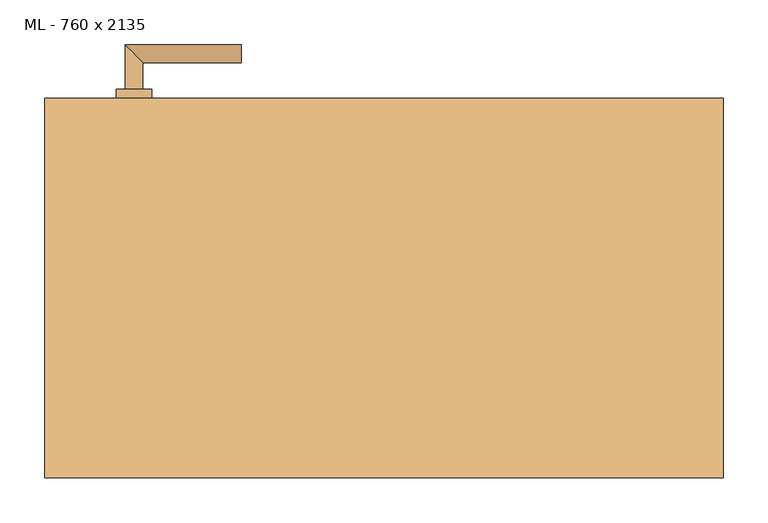
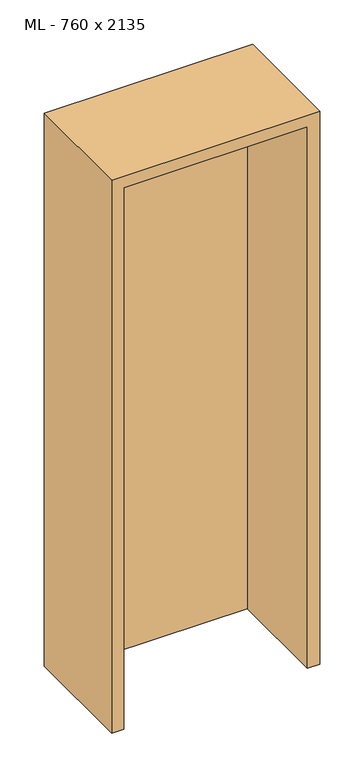
"""IFC4 building model written with IfcOpenShell, lengths in millimetres: door geometry, ML - 760 x 2135."""

from ifc_helpers import new_model, si_unit, point, frame, frame_2d, origin, origin_with_axes, place, context, project, spatial, polyline, circle_curve, ellipse_curve, trimmed, segment, composite_curve, outline, extrude, faceted_brep, source, transform, mapped, element, save
from ifc_brep_helpers import plane_surface, cylinder_surface, advanced_brep


def ml_760_x_2135_68dea230(model_context):
    return source(origin(), model_context, "Body", "SolidModel", [
        extrude(outline(polyline([(346.0, 212.5), (346.0, 167.5), (-346.0, 167.5), (-346.0, 212.5), (346.0, 212.5)])), origin_with_axes(), (0.0, 0.0, 1.0), 2101.0),
        advanced_brep(
        [(-270.0, 222.5, 1050.0), (-290.0, 222.5, 1050.0), (-270.0, 252.5, 1050.0), (-290.0, 272.5, 1050.0), (-160.0, 252.5, 1050.0), (-160.0, 272.5, 1050.0)],
        [
            (0, 1, circle_curve(frame((-280.0, 222.5, 1050.0), z_axis=(0.0, -1.0, 0.0), x_axis=(-1.0, 0.0, 0.0)), 10.0)),
            (1, 0, circle_curve(frame((-280.0, 222.5, 1050.0), z_axis=(0.0, -1.0, 0.0), x_axis=(-1.0, 0.0, 0.0)), 10.0)),
            (0, 2),
            (2, 3, ellipse_curve(frame((-280.0, 262.5, 1050.0), z_axis=(-0.7071067811865531, -0.7071067811865419, 0.0), x_axis=(0.707106781186542, -0.707106781186553, 0.0)), 14.1421356, 10.0)),
            (3, 1),
            (3, 2, ellipse_curve(frame((-280.0, 262.5, 1050.0), z_axis=(-0.7071067811865531, -0.7071067811865419, 0.0), x_axis=(0.707106781186542, -0.707106781186553, 0.0)), 14.1421356, 10.0)),
            (4, 5, circle_curve(frame((-160.0, 262.5, 1050.0), z_axis=(1.0, 0.0, 0.0), x_axis=(0.0, 1.0, 0.0)), 10.0)),
            (5, 4, circle_curve(frame((-160.0, 262.5, 1050.0), z_axis=(1.0, 0.0, 0.0), x_axis=(0.0, 1.0, 0.0)), 10.0)),
            (2, 4),
            (5, 3),
        ],
        [
            plane_surface(frame((-280.0, 222.5, 1050.0), z_axis=(0.0, -1.0, 0.0), x_axis=(0.0, 0.0, 1.0))),
            cylinder_surface(frame((-280.0, 222.5, 1050.0), z_axis=(0.0, -1.0, 0.0), x_axis=(-1.0, 0.0, 0.0)), 10.0),
            plane_surface(frame((-160.0, 262.5, 1050.0), z_axis=(1.0, 0.0, 0.0), x_axis=(0.0, 0.0, 1.0))),
            cylinder_surface(frame((-280.0, 262.5, 1050.0), z_axis=(-1.0, 0.0, 0.0), x_axis=(0.0, 1.0, 0.0)), 10.0),
        ],
        [
            (0, [[1, 2]]),
            (1, [[-1, 3, 4, 5]]),
            (1, [[-2, -5, 6, -3]]),
            (2, [[7, 8]]),
            (3, [[-4, 9, -8, 10]]),
            (3, [[-6, -10, -7, -9]]),
        ],
    ),
        extrude(outline(composite_curve([segment(trimmed(circle_curve(frame_2d((990.0, -280.0)), 20.0), [point((990.0, -300.0))], [point((990.0, -260.0))], False, "CARTESIAN"), True, "CONTINUOUS"), segment(trimmed(circle_curve(frame_2d((990.0, -280.0)), 20.0), [point((990.0, -260.0))], [point((990.0, -300.0))], False, "CARTESIAN"), True, "CONTINUOUS")], self_intersect=False), holes=[composite_curve([segment(polyline([(976.4601385, -282.397268), (988.4749012, -282.397268)]), True, "CONTINUOUS"), segment(trimmed(circle_curve(frame_2d((995.0361633, -280.0)), 6.9854888), [point((988.4749012, -282.397268))], [point((988.4749012, -277.602732))], True, "CARTESIAN"), True, "CONTINUOUS"), segment(polyline([(988.4749012, -277.602732), (976.4601385, -277.602732)]), True, "CONTINUOUS"), segment(trimmed(circle_curve(frame_2d((976.4601385, -280.0)), 2.397268), [point((976.4601385, -277.602732))], [point((976.4601385, -282.397268))], True, "CARTESIAN"), True, "CONTINUOUS")], self_intersect=False)]), frame((0.0, 212.5, 0.0), z_axis=(0.0, 1.0, 0.0), x_axis=(0.0, 0.0, 1.0)), (0.0, 0.0, 1.0), 10.0),
        advanced_brep(
        [(-270.0, 222.5, 1050.0), (-290.0, 222.5, 1050.0), (-270.0, 252.5, 1050.0), (-290.0, 272.5, 1050.0), (-160.0, 252.5, 1050.0), (-160.0, 272.5, 1050.0)],
        [
            (0, 1, circle_curve(frame((-280.0, 222.5, 1050.0), z_axis=(0.0, -1.0, 0.0), x_axis=(-1.0, 0.0, 0.0)), 10.0)),
            (1, 0, circle_curve(frame((-280.0, 222.5, 1050.0), z_axis=(0.0, -1.0, 0.0), x_axis=(-1.0, 0.0, 0.0)), 10.0)),
            (0, 2),
            (2, 3, ellipse_curve(frame((-280.0, 262.5, 1050.0), z_axis=(-0.7071067811865537, -0.7071067811865414, 0.0), x_axis=(0.7071067811865414, -0.7071067811865536, 0.0)), 14.1421356, 10.0)),
            (3, 1),
            (3, 2, ellipse_curve(frame((-280.0, 262.5, 1050.0), z_axis=(-0.7071067811865537, -0.7071067811865414, 0.0), x_axis=(0.7071067811865414, -0.7071067811865536, 0.0)), 14.1421356, 10.0)),
            (4, 5, circle_curve(frame((-160.0, 262.5, 1050.0), z_axis=(1.0, 0.0, 0.0), x_axis=(0.0, 1.0, 0.0)), 10.0)),
            (5, 4, circle_curve(frame((-160.0, 262.5, 1050.0), z_axis=(1.0, 0.0, 0.0), x_axis=(0.0, 1.0, 0.0)), 10.0)),
            (2, 4),
            (5, 3),
        ],
        [
            plane_surface(frame((-280.0, 222.5, 1050.0), z_axis=(0.0, -1.0, 0.0), x_axis=(0.0, 0.0, 1.0))),
            cylinder_surface(frame((-280.0, 222.5, 1050.0), z_axis=(0.0, -1.0, 0.0), x_axis=(-1.0, 0.0, 0.0)), 10.0),
            plane_surface(frame((-160.0, 262.5, 1050.0), z_axis=(1.0, 0.0, 0.0), x_axis=(0.0, 0.0, 1.0))),
            cylinder_surface(frame((-280.0, 262.5, 1050.0), z_axis=(-1.0, 0.0, 0.0), x_axis=(0.0, 1.0, 0.0)), 10.0),
        ],
        [
            (0, [[1, 2]]),
            (1, [[-1, 3, 4, 5]]),
            (1, [[-2, -5, 6, -3]]),
            (2, [[7, 8]]),
            (3, [[-4, 9, -8, 10]]),
            (3, [[-6, -10, -7, -9]]),
        ],
    ),
        extrude(outline(composite_curve([segment(trimmed(circle_curve(frame_2d((1050.0, -280.0)), 20.0), [point((1050.0, -300.0))], [point((1050.0, -260.0))], False, "CARTESIAN"), True, "CONTINUOUS"), segment(trimmed(circle_curve(frame_2d((1050.0, -280.0)), 20.0), [point((1050.0, -260.0))], [point((1050.0, -300.0))], False, "CARTESIAN"), True, "CONTINUOUS")], self_intersect=False)), frame((0.0, 212.5, 0.0), z_axis=(0.0, 1.0, 0.0), x_axis=(0.0, 0.0, 1.0)), (0.0, 0.0, 1.0), 10.0),
        advanced_brep(
        [(-270.0, 157.5, 1050.0), (-290.0, 157.5, 1050.0), (-290.0, 107.5, 1050.0), (-270.0, 127.5, 1050.0), (-160.0, 127.5, 1050.0), (-160.0, 107.5, 1050.0)],
        [
            (0, 1, circle_curve(frame((-280.0, 157.5, 1050.0), z_axis=(0.0, 1.0, 0.0), x_axis=(-1.0, 0.0, 0.0)), 10.0)),
            (1, 0, circle_curve(frame((-280.0, 157.5, 1050.0), z_axis=(0.0, 1.0, 0.0), x_axis=(-1.0, 0.0, 0.0)), 10.0)),
            (1, 2),
            (2, 3, ellipse_curve(frame((-280.0, 117.5, 1050.0), z_axis=(-0.7071067811865486, 0.7071067811865464, 0.0), x_axis=(0.7071067811865464, 0.7071067811865488, 0.0)), 14.1421356, 10.0)),
            (3, 0),
            (3, 2, ellipse_curve(frame((-280.0, 117.5, 1050.0), z_axis=(-0.7071067811865486, 0.7071067811865464, 0.0), x_axis=(0.7071067811865464, 0.7071067811865488, 0.0)), 14.1421356, 10.0)),
            (4, 5, circle_curve(frame((-160.0, 117.5, 1050.0), z_axis=(1.0, 0.0, 0.0), x_axis=(0.0, -1.0, 0.0)), 10.0)),
            (5, 4, circle_curve(frame((-160.0, 117.5, 1050.0), z_axis=(1.0, 0.0, 0.0), x_axis=(0.0, -1.0, 0.0)), 10.0)),
            (2, 5),
            (4, 3),
        ],
        [
            plane_surface(frame((-280.0, 157.5, 1050.0), z_axis=(0.0, 1.0, 0.0), x_axis=(0.0, 0.0, 1.0))),
            cylinder_surface(frame((-280.0, 157.5, 1050.0), z_axis=(0.0, 1.0, 0.0), x_axis=(-1.0, 0.0, 0.0)), 10.0),
            plane_surface(frame((-160.0, 117.5, 1050.0), z_axis=(1.0, 0.0, 0.0), x_axis=(0.0, 0.0, 1.0))),
            cylinder_surface(frame((-280.0, 117.5, 1050.0), z_axis=(-1.0, 0.0, 0.0), x_axis=(0.0, -1.0, 0.0)), 10.0),
        ],
        [
            (0, [[1, 2]]),
            (1, [[3, 4, 5, -2]]),
            (1, [[-5, 6, -3, -1]]),
            (2, [[7, 8]]),
            (3, [[9, -7, 10, -4]]),
            (3, [[-10, -8, -9, -6]]),
        ],
    ),
        extrude(outline(composite_curve([segment(trimmed(circle_curve(frame_2d((990.0, -280.0)), 20.0), [point((990.0, -300.0))], [point((990.0, -260.0))], False, "CARTESIAN"), True, "CONTINUOUS"), segment(trimmed(circle_curve(frame_2d((990.0, -280.0)), 20.0), [point((990.0, -260.0))], [point((990.0, -300.0))], False, "CARTESIAN"), True, "CONTINUOUS")], self_intersect=False), holes=[composite_curve([segment(polyline([(976.4601385, -282.397268), (988.4749012, -282.397268)]), True, "CONTINUOUS"), segment(trimmed(circle_curve(frame_2d((995.0361633, -280.0)), 6.9854888), [point((988.4749012, -282.397268))], [point((988.4749012, -277.602732))], True, "CARTESIAN"), True, "CONTINUOUS"), segment(polyline([(988.4749012, -277.602732), (976.4601385, -277.602732)]), True, "CONTINUOUS"), segment(trimmed(circle_curve(frame_2d((976.4601385, -280.0)), 2.397268), [point((976.4601385, -277.602732))], [point((976.4601385, -282.397268))], True, "CARTESIAN"), True, "CONTINUOUS")], self_intersect=False)]), frame((0.0, 157.5, 0.0), z_axis=(0.0, 1.0, 0.0), x_axis=(0.0, 0.0, 1.0)), (0.0, 0.0, 1.0), 10.0),
        advanced_brep(
        [(-270.0, 157.5, 1050.0), (-290.0, 157.5, 1050.0), (-290.0, 107.5, 1050.0), (-270.0, 127.5, 1050.0), (-160.0, 127.5, 1050.0), (-160.0, 107.5, 1050.0)],
        [
            (0, 1, circle_curve(frame((-280.0, 157.5, 1050.0), z_axis=(0.0, 1.0, 0.0), x_axis=(-1.0, 0.0, 0.0)), 10.0)),
            (1, 0, circle_curve(frame((-280.0, 157.5, 1050.0), z_axis=(0.0, 1.0, 0.0), x_axis=(-1.0, 0.0, 0.0)), 10.0)),
            (1, 2),
            (2, 3, ellipse_curve(frame((-280.0, 117.5, 1050.0), z_axis=(-0.7071067811865491, 0.7071067811865459, 0.0), x_axis=(0.7071067811865458, 0.7071067811865492, 0.0)), 14.1421356, 10.0)),
            (3, 0),
            (3, 2, ellipse_curve(frame((-280.0, 117.5, 1050.0), z_axis=(-0.7071067811865491, 0.7071067811865459, 0.0), x_axis=(0.7071067811865458, 0.7071067811865492, 0.0)), 14.1421356, 10.0)),
            (4, 5, circle_curve(frame((-160.0, 117.5, 1050.0), z_axis=(1.0, 0.0, 0.0), x_axis=(0.0, -1.0, 0.0)), 10.0)),
            (5, 4, circle_curve(frame((-160.0, 117.5, 1050.0), z_axis=(1.0, 0.0, 0.0), x_axis=(0.0, -1.0, 0.0)), 10.0)),
            (2, 5),
            (4, 3),
        ],
        [
            plane_surface(frame((-280.0, 157.5, 1050.0), z_axis=(0.0, 1.0, 0.0), x_axis=(0.0, 0.0, 1.0))),
            cylinder_surface(frame((-280.0, 157.5, 1050.0), z_axis=(0.0, 1.0, 0.0), x_axis=(-1.0, 0.0, 0.0)), 10.0),
            plane_surface(frame((-160.0, 117.5, 1050.0), z_axis=(1.0, 0.0, 0.0), x_axis=(0.0, 0.0, 1.0))),
            cylinder_surface(frame((-280.0, 117.5, 1050.0), z_axis=(-1.0, 0.0, 0.0), x_axis=(0.0, -1.0, 0.0)), 10.0),
        ],
        [
            (0, [[1, 2]]),
            (1, [[3, 4, 5, -2]]),
            (1, [[-5, 6, -3, -1]]),
            (2, [[7, 8]]),
            (3, [[9, -7, 10, -4]]),
            (3, [[-10, -8, -9, -6]]),
        ],
    ),
        extrude(outline(composite_curve([segment(trimmed(circle_curve(frame_2d((1050.0, -280.0)), 20.0), [point((1050.0, -300.0))], [point((1050.0, -260.0))], False, "CARTESIAN"), True, "CONTINUOUS"), segment(trimmed(circle_curve(frame_2d((1050.0, -280.0)), 20.0), [point((1050.0, -260.0))], [point((1050.0, -300.0))], False, "CARTESIAN"), True, "CONTINUOUS")], self_intersect=False)), frame((0.0, 157.5, 0.0), z_axis=(0.0, 1.0, 0.0), x_axis=(0.0, 0.0, 1.0)), (0.0, 0.0, 1.0), 10.0),
        faceted_brep([(-350.0, 212.5, 0.0), (-350.0, 167.5, 0.0), (-335.0, 167.5, 0.0), (-335.0, -212.5, 0.0), (-380.0, -212.5, 0.0), (-380.0, 212.5, 0.0), (-350.0, 212.5, 2105.0), (-350.0, 167.5, 2105.0), (350.0, 167.5, 2105.0), (350.0, 167.5, 0.0), (335.0, 167.5, 0.0), (335.0, 167.5, 2090.0), (-335.0, 167.5, 2090.0), (-335.0, -212.5, 2090.0), (335.0, -212.5, 2090.0), (335.0, -212.5, 0.0), (380.0, -212.5, 0.0), (380.0, -212.5, 2135.0), (-380.0, -212.5, 2135.0), (-380.0, 212.5, 2135.0), (380.0, 212.5, 2135.0), (380.0, 212.5, 0.0), (350.0, 212.5, 0.0), (350.0, 212.5, 2105.0)], [[[0, 1, 2, 3, 4, 5]], [[1, 0, 6, 7]], [[2, 1, 7, 8, 9, 10, 11, 12]], [[3, 2, 12, 13]], [[4, 3, 13, 14, 15, 16, 17, 18]], [[5, 4, 18, 19]], [[0, 5, 19, 20, 21, 22, 23, 6]], [[20, 17, 16, 21]], [[22, 21, 16, 15, 10, 9]], [[8, 23, 22, 9]], [[14, 11, 10, 15]], [[19, 18, 17, 20]], [[13, 12, 11, 14]], [[7, 6, 23, 8]]]),
    ])


if __name__ == "__main__":
    model = new_model("IFC4")
    model_context = context("Model", 3, world=origin())
    ifc_project = project(units=[si_unit("LENGTHUNIT", "METRE", prefix="MILLI")], contexts=[model_context])
    site = spatial("IfcSite", under=ifc_project)
    building = spatial("IfcBuilding", under=site)
    placement = place(None, origin())
    ml_760_x_2135_shape = ml_760_x_2135_68dea230(model_context)
    element("IfcDoor", 1, ObjectType="ML - 760 x 2135", at=placement, inside=building, context=model_context, shape_type="MappedRepresentation", body=[
        mapped(ml_760_x_2135_shape, transform((0.0, 0.0, 0.0), x_axis=(1.0, 0.0, 0.0), y_axis=(0.0, 1.0, 0.0), z_axis=(0.0, 0.0, 1.0))),
    ])
    save(model, "model.ifc")
